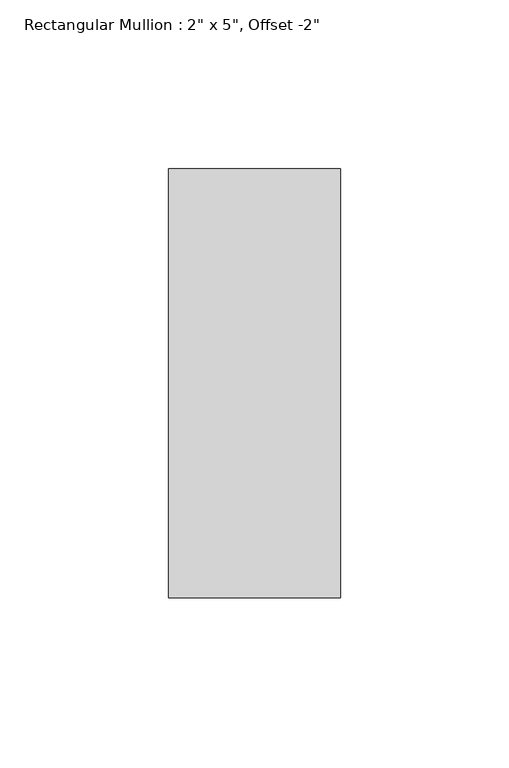
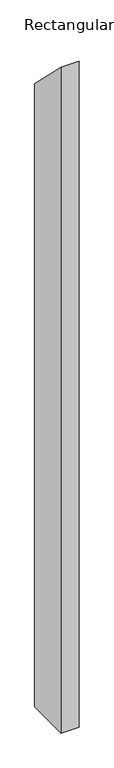
"""IFC4 building model written with IfcOpenShell, lengths in millimetres: member geometry."""

import ifcopenshell
import ifcopenshell.guid

model = None  # the IFC model being written
_history = None  # IfcOwnerHistory: only IFC2X3 demands one
_inside = {}  # id of a spatial element -> (the spatial element, [elements in it])
_under = {}  # id of a project, library or spatial element -> (it, [spatial elements below it])
_declared = {}  # id of a project -> (the project, [libraries it declares])
_typed = {}  # id of a type object -> (the type object, [elements of that type])
_made_of = {}  # id of a material, layer set ... -> (it, [elements and type objects made of it])


def new_model(schema):
    """Start an empty IFC model of exactly this schema.

    Asked for "IFC4X3", IfcOpenShell would pick the latest addendum, in which some entities
    have other attributes; the version numbers below select the first issue.
    IFC2X3 requires an IfcOwnerHistory on every rooted entity: one is made here for all.
    """
    global model, _history
    if schema == "IFC4X3":
        model = ifcopenshell.file(schema_version=(4, 3, 0, 0))
    else:
        model = ifcopenshell.file(schema=schema)
    _inside.clear()
    _under.clear()
    _declared.clear()
    _typed.clear()
    _made_of.clear()
    _history = None
    if model.schema == "IFC2X3":
        org = make("IfcOrganization", Name="unknown")
        user = make(
            "IfcPersonAndOrganization",
            ThePerson=make("IfcPerson", FamilyName="unknown"),
            TheOrganization=org,
        )
        app = make(
            "IfcApplication",
            ApplicationDeveloper=org,
            Version="unknown",
            ApplicationFullName="unknown",
            ApplicationIdentifier="unknown",
        )
        _history = make(
            "IfcOwnerHistory",
            OwningUser=user,
            OwningApplication=app,
            ChangeAction="ADDED",
            CreationDate=0,
        )
    return model


def make(cls, **values):
    """One entity of the class cls with the attributes given. An attribute that is None is left unset."""
    return model.create_entity(
        cls, **{name: value for name, value in values.items() if value is not None}
    )


def rooted(cls, **values):
    """An entity with a GlobalId (a new one), such as an element, a storey or a relation."""
    return make(cls, GlobalId=ifcopenshell.guid.new(), OwnerHistory=_history, **values)


def si_unit(unit_type, name, prefix=None):
    """IfcSIUnit, for example si_unit("LENGTHUNIT", "METRE", prefix="MILLI")."""
    return make("IfcSIUnit", UnitType=unit_type, Prefix=prefix, Name=name)


def assignment(units):
    """IfcUnitAssignment: the units of a project."""
    return None if units is None else make("IfcUnitAssignment", Units=units)


def point(xyz):
    """IfcCartesianPoint."""
    return None if xyz is None else make("IfcCartesianPoint", Coordinates=xyz)


def direction(xyz):
    """IfcDirection."""
    return None if xyz is None else make("IfcDirection", DirectionRatios=xyz)


def frame(location, z_axis=None, x_axis=None):
    """IfcAxis2Placement3D, a coordinate frame: its origin and axes. An axis left out is left unset."""
    return make(
        "IfcAxis2Placement3D",
        Location=point(location),
        Axis=direction(z_axis),
        RefDirection=direction(x_axis),
    )


def origin():
    """The frame at (0, 0, 0) with its axes left unset."""
    return frame((0.0, 0.0, 0.0))


def place(relative_to, where):
    """IfcLocalPlacement: puts the frame where relative to a parent placement (None: the world)."""
    return make(
        "IfcLocalPlacement", PlacementRelTo=relative_to, RelativePlacement=where
    )


def context(
    kind, dimensions, precision=None, world=None, true_north=None, identifier=None
):
    """IfcGeometricRepresentationContext, for example the 3D "Model" context."""
    return make(
        "IfcGeometricRepresentationContext",
        ContextIdentifier=identifier,
        ContextType=kind,
        CoordinateSpaceDimension=dimensions,
        Precision=precision,
        WorldCoordinateSystem=world,
        TrueNorth=true_north,
    )


def project(units=None, contexts=None):
    """IfcProject with its units and contexts."""
    return rooted(
        "IfcProject",
        Name="project",
        RepresentationContexts=contexts,
        UnitsInContext=assignment(units),
    )


def spatial(cls, under=None, at=None, **own):
    """A site, building, storey or space (cls), placed at a placement, below another one or the project."""
    s = rooted(cls, ObjectPlacement=at, **own)
    if under is not None:
        _under.setdefault(under.id(), (under, []))[1].append(s)
    return s


def polyline(points):
    """IfcPolyline through the points."""
    return make("IfcPolyline", Points=[point(p) for p in points])


def outline(outer, holes=None, kind="AREA"):
    """IfcArbitraryClosedProfileDef: a profile drawn as a closed curve; with holes, ...WithVoids."""
    if holes is None:
        return make("IfcArbitraryClosedProfileDef", ProfileType=kind, OuterCurve=outer)
    return make(
        "IfcArbitraryProfileDefWithVoids",
        ProfileType=kind,
        OuterCurve=outer,
        InnerCurves=holes,
    )


def extrude(swept, where, along, depth):
    """IfcExtrudedAreaSolid: the profile swept, set in the frame where, extruded along a direction by depth."""
    return make(
        "IfcExtrudedAreaSolid",
        SweptArea=swept,
        Position=where,
        ExtrudedDirection=direction(along),
        Depth=depth,
    )


def shape(context_of_items, identifier, shape_type, items):
    """IfcShapeRepresentation: the items that make up one representation, for example the "Body"."""
    return make(
        "IfcShapeRepresentation",
        ContextOfItems=context_of_items,
        RepresentationIdentifier=identifier,
        RepresentationType=shape_type,
        Items=items,
    )


def source(mapping_origin, context_of_items, identifier, shape_type, items):
    """IfcRepresentationMap: a shape defined once, which mapped items show again and again."""
    return make(
        "IfcRepresentationMap",
        MappingOrigin=mapping_origin,
        MappedRepresentation=shape(context_of_items, identifier, shape_type, items),
    )


def transform(
    local_origin,
    x_axis=None,
    y_axis=None,
    z_axis=None,
    scale=None,
    scale2=None,
    scale3=None,
    uniform=True,
):
    """IfcCartesianTransformationOperator3D, or its non-uniform kind. x_axis, y_axis, z_axis: its Axis1, 2, 3."""
    if uniform:
        return make(
            "IfcCartesianTransformationOperator3D",
            Axis1=direction(x_axis),
            Axis2=direction(y_axis),
            LocalOrigin=point(local_origin),
            Scale=scale,
            Axis3=direction(z_axis),
        )
    return make(
        "IfcCartesianTransformationOperator3DnonUniform",
        Axis1=direction(x_axis),
        Axis2=direction(y_axis),
        LocalOrigin=point(local_origin),
        Scale=scale,
        Axis3=direction(z_axis),
        Scale2=scale2,
        Scale3=scale3,
    )


def mapped(mapping_source, mapping_target):
    """IfcMappedItem: shows the shape of a source again, moved by a transform."""
    return make(
        "IfcMappedItem", MappingSource=mapping_source, MappingTarget=mapping_target
    )


def made_of(thing, what):
    """Note that an element or type object is made of a material, layer set ...; save() writes the relation."""
    if what is not None:
        _made_of.setdefault(what.id(), (what, []))[1].append(thing)
    return thing


def element(
    cls,
    number,
    at=None,
    inside=None,
    cuts=None,
    type_object=None,
    material=None,
    context=None,
    identifier="Body",
    shape_type=None,
    held_by="IfcProductDefinitionShape",
    body=None,
    shapes=None,
    **own,
):
    """One element of the class cls, such as IfcWall. Its Tag is "e" and its number.

    at: its placement. inside: the storey or other place that contains it. cuts: it is an
    opening in that element (IfcRelVoidsElement). A single representation is given by context,
    identifier, shape_type and body (its items); several are given by shapes. held_by: the class
    of the entity that holds the representations. save() writes the other relations.
    """
    e = rooted(cls, Tag="e%d" % number, ObjectPlacement=at, **own)
    if body is not None:
        shapes = [shape(context, identifier, shape_type, body)]
    if shapes is not None:
        e.Representation = make(held_by, Representations=shapes)
    if inside is not None:
        _inside.setdefault(inside.id(), (inside, []))[1].append(e)
    if cuts is not None:
        rooted(
            "IfcRelVoidsElement", RelatingBuildingElement=cuts, RelatedOpeningElement=e
        )
    if type_object is not None:
        _typed.setdefault(type_object.id(), (type_object, []))[1].append(e)
    return made_of(e, material)


def aggregate(whole, parts):
    """IfcRelAggregates: a whole, such as a stair, and the parts it consists of."""
    return rooted("IfcRelAggregates", RelatingObject=whole, RelatedObjects=parts)


def save(model, path):
    """Write the relations noted so far, then the file.

    IfcRelAggregates (storeys below a building ...), IfcRelContainedInSpatialStructure (elements
    in a storey), IfcRelDefinesByType, IfcRelAssociatesMaterial and IfcRelDeclares: one each for
    every whole, place, type object, material and project.
    """
    for whole, parts in _under.values():
        aggregate(whole, parts)
    for where, things in _inside.values():
        rooted(
            "IfcRelContainedInSpatialStructure",
            RelatedElements=things,
            RelatingStructure=where,
        )
    for kind, things in _typed.values():
        rooted("IfcRelDefinesByType", RelatedObjects=things, RelatingType=kind)
    for what, things in _made_of.values():
        rooted("IfcRelAssociatesMaterial", RelatedObjects=things, RelatingMaterial=what)
    for by, libraries in _declared.values():
        rooted("IfcRelDeclares", RelatingContext=by, RelatedDefinitions=libraries)
    model.write(path)


def member_cdf648bf(model_context):
    return source(origin(), model_context, "Body", "SweptSolid", [
        extrude(outline(polyline([(-12.7, 12.7), (114.3, -114.3), (114.3, -1951.7129826), (-12.7, -1951.7129826), (-12.7, 12.7)])), frame((-50.8, 0.0, 0.0), z_axis=(1.0, 0.0, 0.0), x_axis=(0.0, 1.0, 0.0)), (0.0, 0.0, 1.0), 50.8),
    ])


if __name__ == "__main__":
    model = new_model("IFC4")
    model_context = context("Model", 3, world=origin())
    ifc_project = project(units=[si_unit("LENGTHUNIT", "METRE", prefix="MILLI")], contexts=[model_context])
    site = spatial("IfcSite", under=ifc_project)
    building = spatial("IfcBuilding", under=site)
    placement = place(None, origin())
    member_shape = member_cdf648bf(model_context)
    element("IfcMember", 1, ObjectType="Rectangular Mullion : 2\" x 5\", Offset -2\"", at=placement, inside=building, context=model_context, shape_type="MappedRepresentation", body=[
        mapped(member_shape, transform((0.0, 0.0, 0.0), x_axis=(1.0, 0.0, 0.0), y_axis=(0.0, 1.0, 0.0), z_axis=(0.0, 0.0, 1.0))),
    ])
    save(model, "model.ifc")
